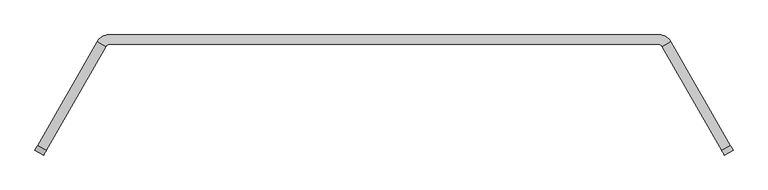
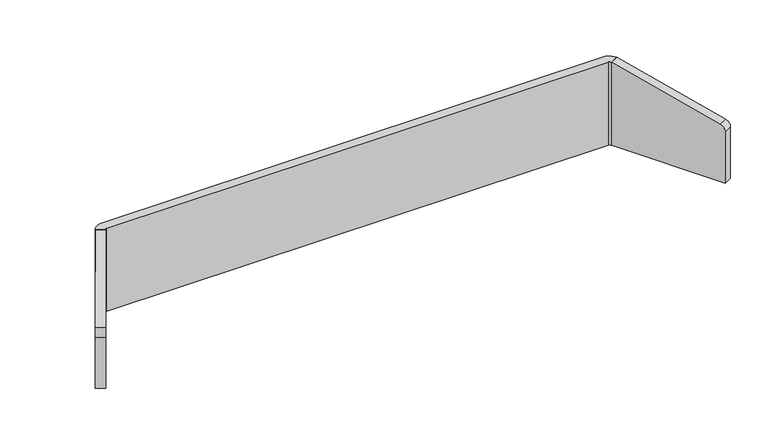
"""IFC4 building model written with IfcOpenShell, lengths in millimetres: furniture geometry."""

from ifc_helpers import new_model, si_unit, point, frame, frame_2d, origin, place, context, project, spatial, polyline, circle_curve, trimmed, segment, composite_curve, outline, extrude, source, transform, mapped, element, save


def furniture_7740bedc(model_context):
    return source(origin(), model_context, "Body", "SweptSolid", [
        extrude(outline(composite_curve([segment(polyline([(-24.6357364, -31.5838899), (-133.6777992, 402.8241508), (216.3716244, 402.8241508), (216.3716244, -50.8), (0.0, -50.8)]), True, "CONTINUOUS"), segment(trimmed(circle_curve(frame_2d((0.0, -25.4)), 25.4), [point((0.0, -50.8))], [point((-24.6357364, -31.5838899))], False, "CARTESIAN"), True, "CONTINUOUS")], self_intersect=False)), frame((1780.495753, -329.8459345, 968.8466244), z_axis=(0.8670407655731922, 0.4982372033823375, 0.0), x_axis=(0.0, 0.0, -1.0)), (0.0, 0.0, 1.0), 35.9627605),
        extrude(outline(composite_curve([segment(trimmed(circle_curve(frame_2d((0.0, 25.4)), 25.4), [point((-24.6357364, 31.5838899))], [point((0.0, 50.8))], False, "CARTESIAN"), True, "CONTINUOUS"), segment(polyline([(0.0, 50.8), (216.3716244, 50.8), (216.3716244, -402.8241508), (-133.6777992, -402.8241508), (-24.6357364, 31.5838899)]), True, "CONTINUOUS")], self_intersect=False)), frame((-639.5086452, -329.8459345, 968.8466244), z_axis=(-0.8670407655731922, 0.4982372033823375, 0.0), x_axis=(0.0, 0.0, -1.0)), (0.0, 0.0, 1.0), 35.9627605),
        extrude(outline(composite_curve([segment(trimmed(circle_curve(frame_2d((1572.7630604, 36.5621094)), 25.4), [point((1572.7630604, 61.9621094))], [point((1578.2224902, 61.3684518))], False, "CARTESIAN"), True, "CONTINUOUS"), segment(trimmed(circle_curve(frame_2d((1567.4577624, 12.4561043)), 50.0829023), [point((1578.2224902, 61.3684518))], [point((1610.9359467, 37.3145956))], False, "CARTESIAN"), True, "CONTINUOUS"), segment(polyline([(1610.9359467, 37.3145956), (1579.7952673, 19.4198833)]), True, "CONTINUOUS"), segment(trimmed(circle_curve(frame_2d((1566.2326319, 12.9300975)), 15.0353716), [point((1579.7952673, 19.4198833))], [point((1570.4073623, 27.3742667))], True, "CARTESIAN"), True, "CONTINUOUS"), segment(polyline([(1570.4073623, 27.3742667), (-429.4202545, 27.3742667)]), True, "CONTINUOUS"), segment(trimmed(circle_curve(frame_2d((-425.2455241, 12.9300975)), 15.0353716), [point((-429.4202545, 27.3742667))], [point((-438.8081595, 19.4198833))], True, "CARTESIAN"), True, "CONTINUOUS"), segment(polyline([(-438.8081595, 19.4198833), (-469.948839, 37.3145956)]), True, "CONTINUOUS"), segment(trimmed(circle_curve(frame_2d((-426.4706546, 12.4561043)), 50.0829023), [point((-469.948839, 37.3145956))], [point((-437.2353824, 61.3684518))], False, "CARTESIAN"), True, "CONTINUOUS"), segment(trimmed(circle_curve(frame_2d((-431.7759527, 36.5621094)), 25.4), [point((-437.2353824, 61.3684518))], [point((-431.7759527, 61.9621094))], False, "CARTESIAN"), True, "CONTINUOUS"), segment(polyline([(-431.7759527, 61.9621094), (1572.7630604, 61.9621094)]), True, "CONTINUOUS")], self_intersect=False)), frame((0.0, 0.0, 752.475), z_axis=(0.0, 0.0, 1.0), x_axis=(1.0, 0.0, 0.0)), (0.0, 0.0, 1.0), 350.04375),
    ])


if __name__ == "__main__":
    model = new_model("IFC4")
    model_context = context("Model", 3, world=origin())
    ifc_project = project(units=[si_unit("LENGTHUNIT", "METRE", prefix="MILLI")], contexts=[model_context])
    site = spatial("IfcSite", under=ifc_project)
    building = spatial("IfcBuilding", under=site)
    placement = place(None, origin())
    furniture_shape = furniture_7740bedc(model_context)
    element("IfcFurniture", 1, at=placement, inside=building, context=model_context, shape_type="MappedRepresentation", body=[
        mapped(furniture_shape, transform((0.0, 0.0, 0.0), x_axis=(1.0, 0.0, 0.0), y_axis=(0.0, 1.0, 0.0), z_axis=(0.0, 0.0, 1.0))),
    ])
    save(model, "model.ifc")
